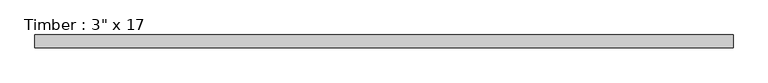
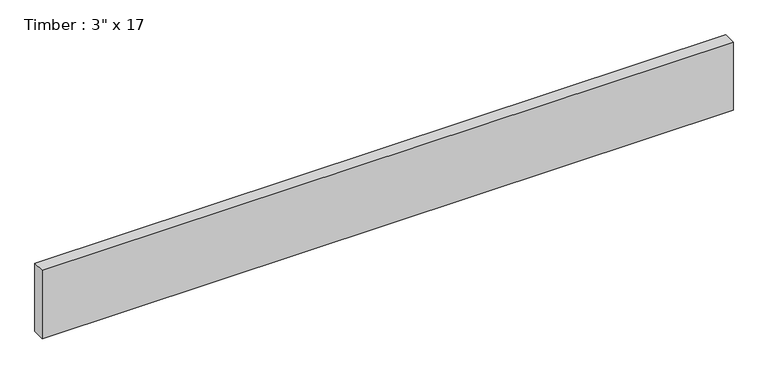
"""IFC4 building model written with IfcOpenShell, lengths in millimetres: beam geometry."""

from ifc_helpers import new_model, si_unit, frame, origin, place, context, project, spatial, polyline, outline, extrude, source, transform, mapped, element, save


def beam_21bb3014(model_context):
    return source(origin(), model_context, "Body", "SweptSolid", [
        extrude(outline(polyline([(2067.0334969, 38.1), (2067.0334969, -38.1), (-2067.0334969, -38.1), (-2067.0334969, 38.1), (2067.0334969, 38.1)])), frame((0.0, 0.0, -215.9), z_axis=(0.0, 0.0, 1.0), x_axis=(1.0, 0.0, 0.0)), (0.0, 0.0, 1.0), 431.8),
    ])


if __name__ == "__main__":
    model = new_model("IFC4")
    model_context = context("Model", 3, world=origin())
    ifc_project = project(units=[si_unit("LENGTHUNIT", "METRE", prefix="MILLI")], contexts=[model_context])
    site = spatial("IfcSite", under=ifc_project)
    building = spatial("IfcBuilding", under=site)
    placement = place(None, origin())
    beam_shape = beam_21bb3014(model_context)
    element("IfcBeam", 1, ObjectType="Timber : 3\" x 17", at=placement, inside=building, context=model_context, shape_type="MappedRepresentation", body=[
        mapped(beam_shape, transform((0.0, 0.0, 0.0), x_axis=(1.0, 0.0, 0.0), y_axis=(0.0, 1.0, 0.0), z_axis=(0.0, 0.0, 1.0))),
    ])
    save(model, "model.ifc")
